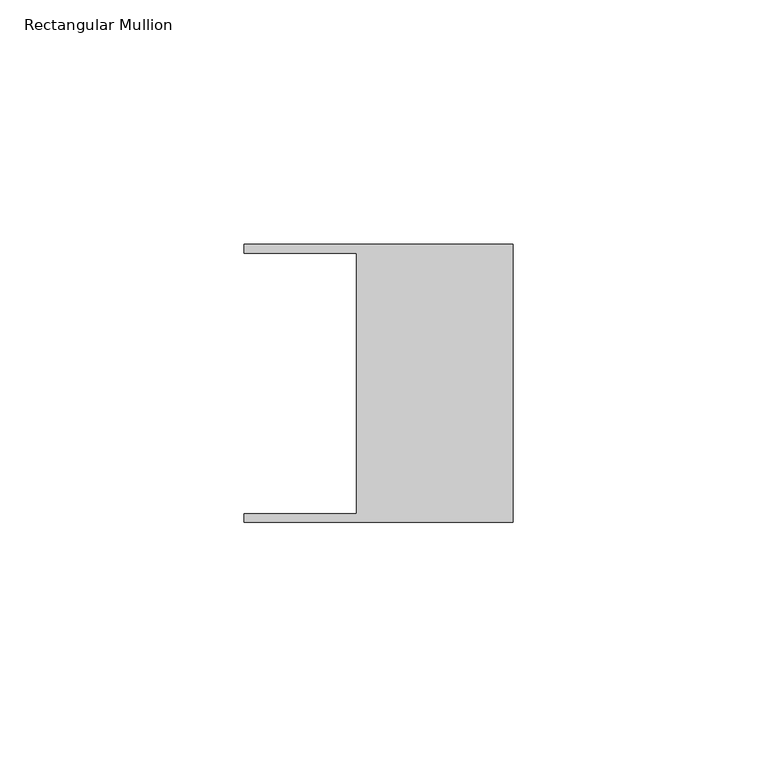
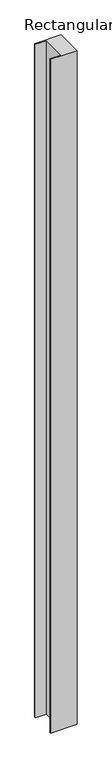
"""IFC4 building model written with IfcOpenShell, lengths in millimetres: member geometry, Rectangular Mullion."""

from ifc_helpers import new_model, si_unit, frame, origin, place, context, project, spatial, polyline, outline, extrude, source, transform, mapped, element, save


def rectangular_mullion_4cd1d783(model_context):
    return source(origin(), model_context, "Body", "SweptSolid", [
        extrude(outline(polyline([(-32.004, -26.67), (-32.004, 26.67), (-54.991, 26.67), (-54.991, 28.448), (0.0, 28.448), (0.0, -28.448), (-54.991, -28.448), (-54.991, -26.67), (-32.004, -26.67)])), frame((0.0, 0.0, -1473.2), z_axis=(0.0, 0.0, 1.0), x_axis=(1.0, 0.0, 0.0)), (0.0, 0.0, 1.0), 1473.2),
    ])


if __name__ == "__main__":
    model = new_model("IFC4")
    model_context = context("Model", 3, world=origin())
    ifc_project = project(units=[si_unit("LENGTHUNIT", "METRE", prefix="MILLI")], contexts=[model_context])
    site = spatial("IfcSite", under=ifc_project)
    building = spatial("IfcBuilding", under=site)
    placement = place(None, origin())
    rectangular_mullion_shape = rectangular_mullion_4cd1d783(model_context)
    element("IfcMember", 1, ObjectType="Rectangular Mullion", at=placement, inside=building, context=model_context, shape_type="MappedRepresentation", body=[
        mapped(rectangular_mullion_shape, transform((0.0, 0.0, 0.0), x_axis=(1.0, 0.0, 0.0), y_axis=(0.0, 1.0, 0.0), z_axis=(0.0, 0.0, 1.0))),
    ])
    save(model, "model.ifc")
